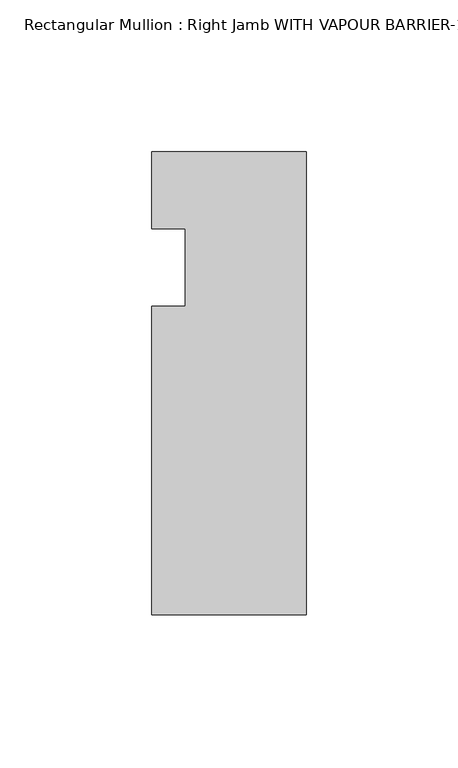
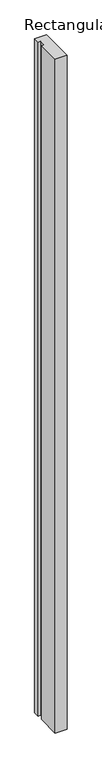
"""IFC4 building model written with IfcOpenShell, lengths in millimetres: member geometry."""

from ifc_helpers import new_model, si_unit, frame, origin, place, context, project, spatial, polyline, outline, extrude, source, transform, mapped, element, save


def member_b339da2f(model_context):
    return source(origin(), model_context, "Body", "SweptSolid", [
        extrude(outline(polyline([(-50.8, -146.05), (-50.8, -44.45), (-39.8272, -44.45), (-39.8272, -19.05), (-50.8, -19.05), (-50.8, 6.35), (0.0, 6.35), (0.0, -146.05), (-50.8, -146.05)])), frame((0.0, 0.0, -3048.0), z_axis=(0.0, 0.0, 1.0), x_axis=(1.0, 0.0, 0.0)), (0.0, 0.0, 1.0), 3048.0),
    ])


if __name__ == "__main__":
    model = new_model("IFC4")
    model_context = context("Model", 3, world=origin())
    ifc_project = project(units=[si_unit("LENGTHUNIT", "METRE", prefix="MILLI")], contexts=[model_context])
    site = spatial("IfcSite", under=ifc_project)
    building = spatial("IfcBuilding", under=site)
    placement = place(None, origin())
    member_shape = member_b339da2f(model_context)
    element("IfcMember", 1, ObjectType="Rectangular Mullion : Right Jamb WITH VAPOUR BARRIER-1\" INFILL-model", at=placement, inside=building, context=model_context, shape_type="MappedRepresentation", body=[
        mapped(member_shape, transform((0.0, 0.0, 0.0), x_axis=(1.0, 0.0, 0.0), y_axis=(0.0, 1.0, 0.0), z_axis=(0.0, 0.0, 1.0))),
    ])
    save(model, "model.ifc")
